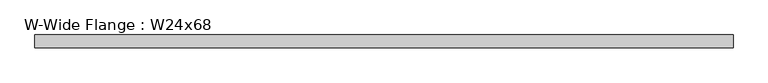
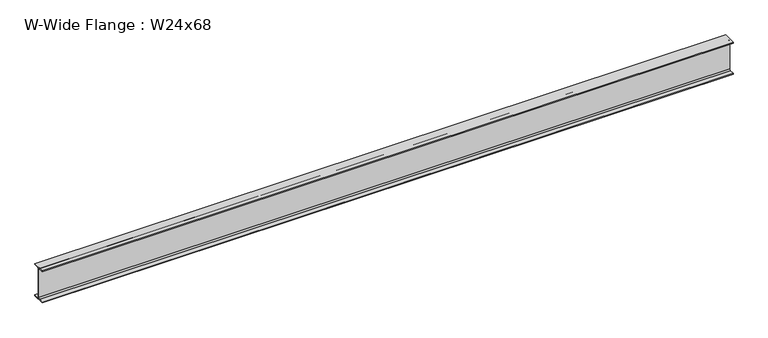
"""IFC4 building model written with IfcOpenShell, lengths in millimetres: beam geometry, W-Wide Flange : W24x68."""

from ifc_helpers import new_model, si_unit, point, frame, frame_2d, origin, place, context, project, spatial, polyline, circle_curve, trimmed, segment, composite_curve, outline, extrude, source, transform, mapped, element, save


def w_wide_flange_w24x68_87de61da(model_context):
    return source(origin(), model_context, "Body", "SweptSolid", [
        extrude(outline(composite_curve([segment(polyline([(113.919, -286.131), (113.919, -300.99), (-113.919, -300.99), (-113.919, -286.131), (-28.5115, -286.131)]), True, "CONTINUOUS"), segment(trimmed(circle_curve(frame_2d((-28.5115, -262.89)), 23.241), [point((-28.5115, -286.131))], [point((-5.2705, -262.89))], True, "CARTESIAN"), True, "CONTINUOUS"), segment(polyline([(-5.2705, -262.89), (-5.2705, 262.89)]), True, "CONTINUOUS"), segment(trimmed(circle_curve(frame_2d((-28.5115, 262.89)), 23.241), [point((-5.2705, 262.89))], [point((-28.5115, 286.131))], True, "CARTESIAN"), True, "CONTINUOUS"), segment(polyline([(-28.5115, 286.131), (-113.919, 286.131), (-113.919, 300.99), (113.919, 300.99), (113.919, 286.131), (28.5115, 286.131)]), True, "CONTINUOUS"), segment(trimmed(circle_curve(frame_2d((28.5115, 262.89)), 23.241), [point((28.5115, 286.131))], [point((5.2705, 262.89))], True, "CARTESIAN"), True, "CONTINUOUS"), segment(polyline([(5.2705, 262.89), (5.2705, -262.89)]), True, "CONTINUOUS"), segment(trimmed(circle_curve(frame_2d((28.5115, -262.89)), 23.241), [point((5.2705, -262.89))], [point((28.5115, -286.131))], True, "CARTESIAN"), True, "CONTINUOUS"), segment(polyline([(28.5115, -286.131), (113.919, -286.131)]), True, "CONTINUOUS")], self_intersect=False)), frame((-6186.1513955, 0.0, 0.0), z_axis=(1.0, 0.0, 0.0), x_axis=(0.0, 1.0, 0.0)), (0.0, 0.0, 1.0), 12321.54),
    ])


if __name__ == "__main__":
    model = new_model("IFC4")
    model_context = context("Model", 3, world=origin())
    ifc_project = project(units=[si_unit("LENGTHUNIT", "METRE", prefix="MILLI")], contexts=[model_context])
    site = spatial("IfcSite", under=ifc_project)
    building = spatial("IfcBuilding", under=site)
    placement = place(None, origin())
    w_wide_flange_w24x68_shape = w_wide_flange_w24x68_87de61da(model_context)
    element("IfcBeam", 1, ObjectType="W-Wide Flange : W24x68", at=placement, inside=building, context=model_context, shape_type="MappedRepresentation", body=[
        mapped(w_wide_flange_w24x68_shape, transform((0.0, 0.0, 0.0), x_axis=(1.0, 0.0, 0.0), y_axis=(0.0, 1.0, 0.0), z_axis=(0.0, 0.0, 1.0))),
    ])
    save(model, "model.ifc")
